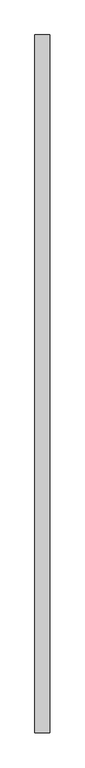
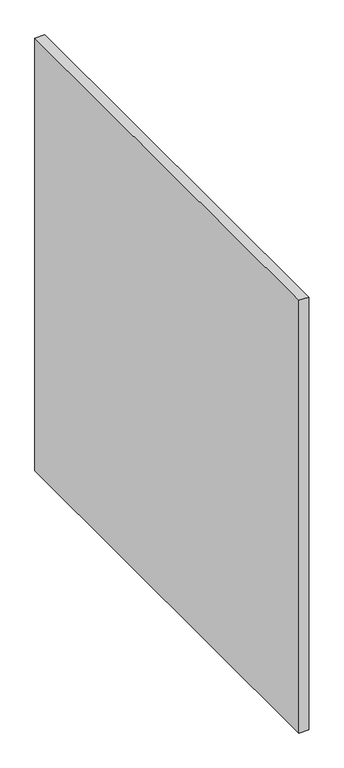
"""IFC4 building model written with IfcOpenShell, lengths in millimetres: proxy geometry."""

from ifc_helpers import new_model, si_unit, origin, origin_with_axes, place, context, project, spatial, polyline, outline, extrude, source, transform, mapped, element, save


def generic_models_52345af7(model_context):
    return source(origin(), model_context, "Body", "SweptSolid", [
        extrude(outline(polyline([(60.0, -2800.0), (0.0, -2800.0), (0.0, 0.0), (60.0, 0.0), (60.0, -2800.0)])), origin_with_axes(), (0.0, 0.0, 1.0), 2800.0),
    ])


if __name__ == "__main__":
    model = new_model("IFC4")
    model_context = context("Model", 3, world=origin())
    ifc_project = project(units=[si_unit("LENGTHUNIT", "METRE", prefix="MILLI")], contexts=[model_context])
    site = spatial("IfcSite", under=ifc_project)
    building = spatial("IfcBuilding", under=site)
    placement = place(None, origin())
    generic_models_shape = generic_models_52345af7(model_context)
    element("IfcBuildingElementProxy", 1, Name="Generic Models", at=placement, inside=building, context=model_context, shape_type="MappedRepresentation", body=[
        mapped(generic_models_shape, transform((0.0, 0.0, 0.0), x_axis=(1.0, 0.0, 0.0), y_axis=(0.0, 1.0, 0.0), z_axis=(0.0, 0.0, 1.0))),
    ])
    save(model, "model.ifc")
